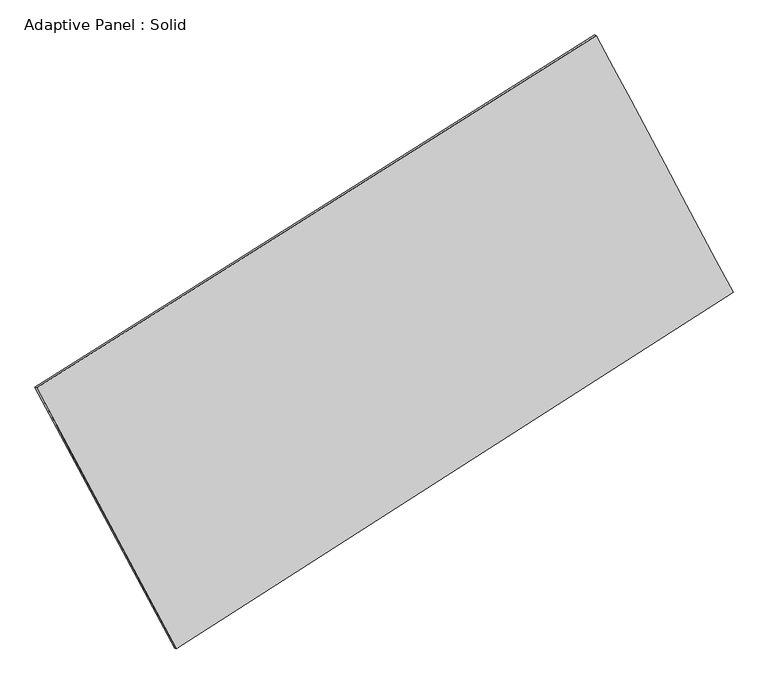
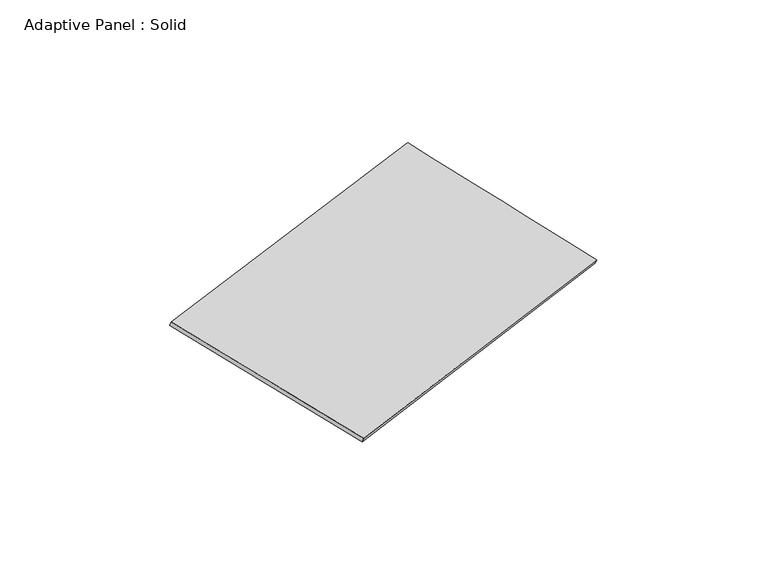
"""IFC4 building model written with IfcOpenShell, lengths in millimetres: plate geometry, Adaptive Panel : Solid."""

from ifc_helpers import new_model, si_unit, frame, origin, place, context, project, spatial, source, transform, mapped, element, save
from ifc_brep_helpers import plane_surface, spline_surface, advanced_brep


def adaptive_panel_solid_099672e2(model_context):
    return source(origin(), model_context, "Body", "AdvancedBrep", [
        advanced_brep(
        [(1192.951184, 2572.3052593, 668.8440705), (-3703.5230244, -509.6134802, 1752.8640458), (-3688.8566686, -515.9935737, 1800.2369538), (1207.6175398, 2565.9251658, 716.2169785), (-2481.9683501, -2790.8414741, 1084.1566824), (-2467.3019942, -2797.2215676, 1131.5295905), (2389.2496124, 327.9011222, -20.7422785), (2403.9159682, 321.5210287, 26.6306295)],
        [
            (0, 1),
            (1, 2),
            (2, 3),
            (3, 0),
            (1, 4),
            (4, 5),
            (5, 2),
            (4, 6),
            (6, 7),
            (7, 5),
            (6, 0),
            (3, 7),
        ],
        [
            plane_surface(frame((-1255.2859202, 1031.3458895, 1210.8540581), z_axis=(-0.47256614161665933, 0.8421549854871819, 0.2597233570871669), x_axis=(-0.8318393952534883, -0.5235729448113621, 0.18415914847182954))),
            plane_surface(frame((-3092.7456872, -1650.2274772, 1418.5103641), z_axis=(-0.840621589097044, -0.5064323672195166, 0.1920458314475931), x_axis=(0.4570476106709986, -0.8535269242501261, -0.2501984635445448))),
            plane_surface(frame((-46.3593688, -1231.470176, 531.707202), z_axis=(0.4778522069742688, -0.8387993245690648, -0.2609079557857555), x_axis=(0.8272224348775356, 0.5296198741529606, -0.1876321724478077))),
            plane_surface(frame((1791.1003982, 1450.1031907, 324.050896), z_axis=(0.8403747964556264, 0.5068942910787734, -0.19190721496054453), x_axis=(-0.4539775624201033, 0.851718179223088, 0.2616878216501663))),
            spline_surface(1, 1, [[(-3688.8566686, -515.9935737, 1800.2369538), (1207.6175398, 2565.9251658, 716.2169785)], [(-2467.3019942, -2797.2215676, 1131.5295905), (2403.9159682, 321.5210287, 26.6306295)]], [2, 2], [2, 2], [0.0, 1.0], [0.0, 1.0]),
            spline_surface(1, 1, [[(2389.2496124, 327.9011222, -20.7422785), (1192.951184, 2572.3052593, 668.8440705)], [(-2481.9683501, -2790.8414741, 1084.1566824), (-3703.5230244, -509.6134802, 1752.8640458)]], [2, 2], [2, 2], [0.0, 1.0], [0.0, 1.0]),
        ],
        [
            (0, [[1, 2, 3, 4]]),
            (1, [[5, 6, 7, -2]]),
            (2, [[8, 9, 10, -6]]),
            (3, [[11, -4, 12, -9]]),
            (4, [[-3, -7, -10, -12]]),
            (5, [[-11, -8, -5, -1]]),
        ],
    ),
    ])


if __name__ == "__main__":
    model = new_model("IFC4")
    model_context = context("Model", 3, world=origin())
    ifc_project = project(units=[si_unit("LENGTHUNIT", "METRE", prefix="MILLI")], contexts=[model_context])
    site = spatial("IfcSite", under=ifc_project)
    building = spatial("IfcBuilding", under=site)
    placement = place(None, origin())
    adaptive_panel_solid_shape = adaptive_panel_solid_099672e2(model_context)
    element("IfcPlate", 1, ObjectType="Adaptive Panel : Solid", at=placement, inside=building, context=model_context, shape_type="MappedRepresentation", body=[
        mapped(adaptive_panel_solid_shape, transform((0.0, 0.0, 0.0), x_axis=(1.0, 0.0, 0.0), y_axis=(0.0, 1.0, 0.0), z_axis=(0.0, 0.0, 1.0))),
    ])
    save(model, "model.ifc")
